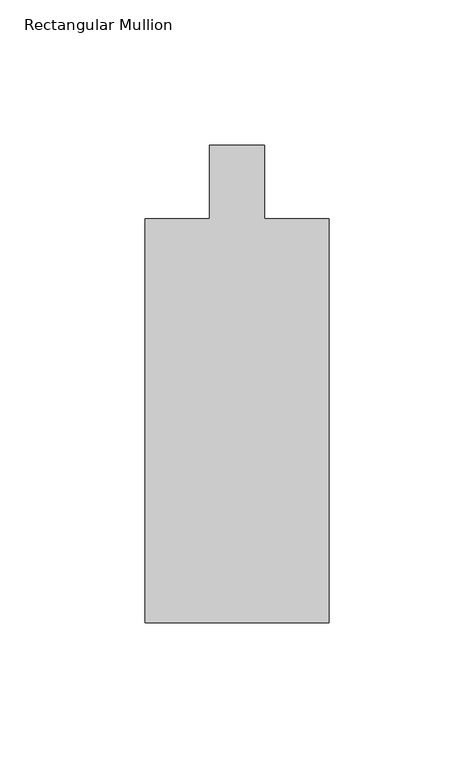
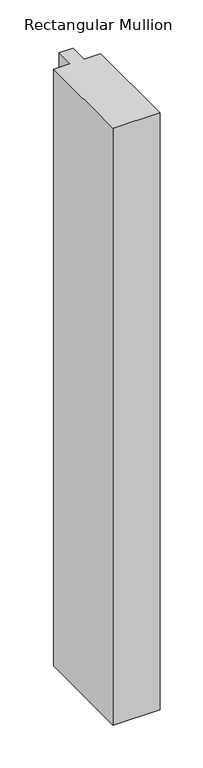
"""IFC4 building model written with IfcOpenShell, lengths in millimetres: member geometry, Rectangular Mullion."""

from ifc_helpers import new_model, si_unit, frame, origin, place, context, project, spatial, polyline, outline, extrude, source, transform, mapped, element, save


def rectangular_mullion_6542015c(model_context):
    return source(origin(), model_context, "Body", "SweptSolid", [
        extrude(outline(polyline([(31.7500214, -12.7126936), (31.7500061, -151.9039676), (-31.7486016, -151.9039606), (-31.7485862, -12.7107227), (-9.524418, -12.7107252), (-9.5244152, 12.7100972), (9.5255848, 12.7100951), (9.525582, -12.7126911), (31.7500214, -12.7126936)])), frame((0.0, 0.0, -850.8787585), z_axis=(0.0, 0.0, 1.0), x_axis=(1.0, 0.0, 0.0)), (0.0, 0.0, 1.0), 850.8787585),
    ])


if __name__ == "__main__":
    model = new_model("IFC4")
    model_context = context("Model", 3, world=origin())
    ifc_project = project(units=[si_unit("LENGTHUNIT", "METRE", prefix="MILLI")], contexts=[model_context])
    site = spatial("IfcSite", under=ifc_project)
    building = spatial("IfcBuilding", under=site)
    placement = place(None, origin())
    rectangular_mullion_shape = rectangular_mullion_6542015c(model_context)
    element("IfcMember", 1, ObjectType="Rectangular Mullion", at=placement, inside=building, context=model_context, shape_type="MappedRepresentation", body=[
        mapped(rectangular_mullion_shape, transform((0.0, 0.0, 0.0), x_axis=(1.0, 0.0, 0.0), y_axis=(0.0, 1.0, 0.0), z_axis=(0.0, 0.0, 1.0))),
    ])
    save(model, "model.ifc")
